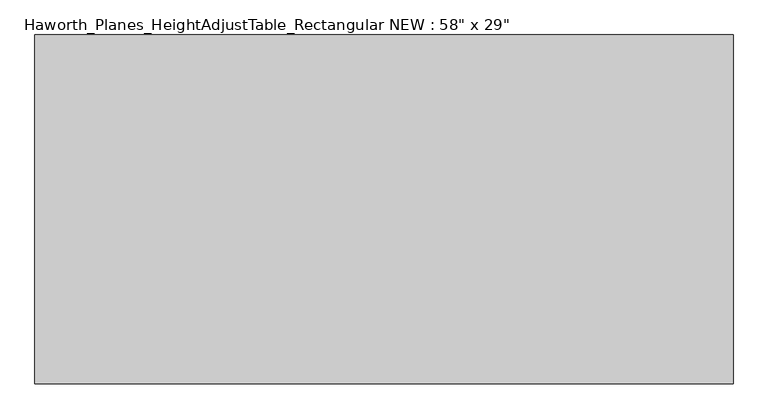
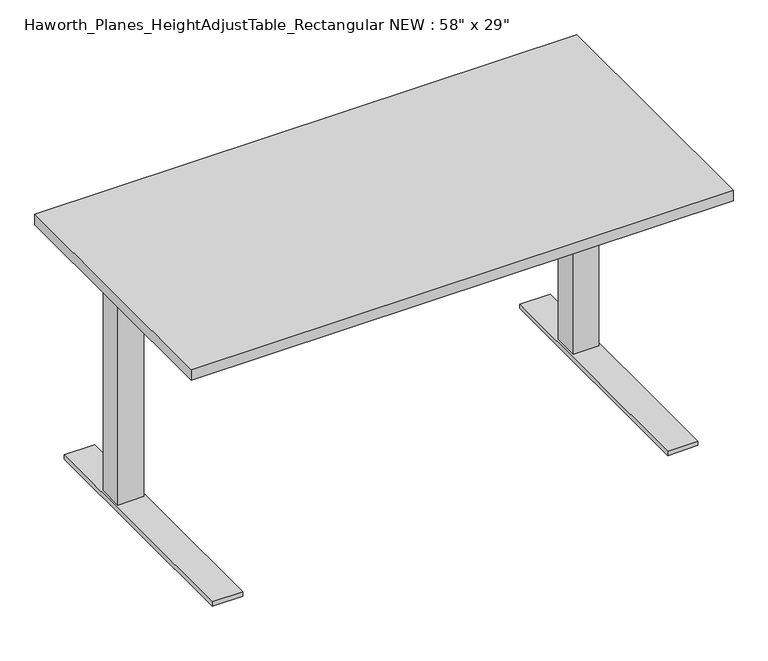
"""IFC4 building model written with IfcOpenShell, lengths in millimetres: furniture geometry."""

from ifc_helpers import new_model, si_unit, point, frame, frame_2d, origin, origin_with_axes, place, context, project, spatial, polyline, circle_curve, trimmed, segment, composite_curve, outline, extrude, faceted_brep, source, transform, mapped, element, save


def furniture_c5e95a2a(model_context):
    return source(origin(), model_context, "Body", "SolidModel", [
        extrude(outline(polyline([(588.9625, 185.7375), (649.2875, 185.7375), (649.2875, 125.4125), (588.9625, 125.4125), (588.9625, 185.7375)])), frame((0.0, 0.0, 598.4875), z_axis=(0.0, 0.0, 1.0), x_axis=(1.0, 0.0, 0.0)), (0.0, 0.0, 1.0), 107.95),
        faceted_brep([(577.85, 361.95, 9.525), (577.85, -334.9625, 9.525), (577.85, -334.9625, 22.225), (577.85, 361.95, 22.225), (660.4, 361.95, 9.525), (660.4, 361.95, 22.225), (660.4, -334.9625, 22.225), (660.4, -334.9625, 9.525), (584.2, 190.5, 598.4875), (584.2, 120.65, 598.4875), (654.05, 120.65, 598.4875), (654.05, 190.5, 598.4875), (654.05, 190.5, 22.225), (584.2, 190.5, 22.225), (654.05, 120.65, 22.225), (584.2, 120.65, 22.225)], [[[0, 1, 2, 3]], [[4, 5, 6, 7]], [[0, 4, 7, 1]], [[8, 9, 10, 11]], [[11, 12, 13, 8]], [[10, 14, 12, 11]], [[9, 15, 14, 10]], [[8, 13, 15, 9]], [[3, 5, 4, 0]], [[2, 6, 5, 3], [12, 14, 15, 13]], [[1, 7, 6, 2]]]),
        extrude(outline(polyline([(317.5, 706.4375), (317.5, 697.1238172), (175.5257579, 639.7625), (60.8782415, 639.7625), (-241.3, 698.5), (-241.3, 706.4375), (317.5, 706.4375)])), frame((654.05, 0.0, 0.0), z_axis=(1.0, 0.0, 0.0), x_axis=(0.0, 1.0, 0.0)), (0.0, 0.0, 1.0), 3.175),
        extrude(outline(composite_curve([segment(trimmed(circle_curve(frame_2d((619.125, 293.6875)), 28.5342152), [point((647.6592152, 293.6875))], [point((590.5907848, 293.6875))], False, "CARTESIAN"), True, "CONTINUOUS"), segment(trimmed(circle_curve(frame_2d((619.125, 293.6875)), 28.5342152), [point((590.5907848, 293.6875))], [point((647.6592152, 293.6875))], False, "CARTESIAN"), True, "CONTINUOUS")], self_intersect=False)), origin_with_axes(), (0.0, 0.0, 1.0), 9.525),
        extrude(outline(composite_curve([segment(trimmed(circle_curve(frame_2d((619.125, -228.6)), 28.6553383), [point((647.7803383, -228.6))], [point((590.4696617, -228.6))], False, "CARTESIAN"), True, "CONTINUOUS"), segment(trimmed(circle_curve(frame_2d((619.125, -228.6)), 28.6553383), [point((590.4696617, -228.6))], [point((647.7803383, -228.6))], False, "CARTESIAN"), True, "CONTINUOUS")], self_intersect=False)), origin_with_axes(), (0.0, 0.0, 1.0), 9.525),
        extrude(outline(polyline([(-588.9625, 185.7375), (-588.9625, 125.4125), (-649.2875, 125.4125), (-649.2875, 185.7375), (-588.9625, 185.7375)])), frame((0.0, 0.0, 598.4875), z_axis=(0.0, 0.0, 1.0), x_axis=(1.0, 0.0, 0.0)), (0.0, 0.0, 1.0), 107.95),
        faceted_brep([(-577.85, 361.95, 9.525), (-577.85, 361.95, 22.225), (-577.85, -334.9625, 22.225), (-577.85, -334.9625, 9.525), (-660.4, 361.95, 9.525), (-660.4, -334.9625, 9.525), (-660.4, -334.9625, 22.225), (-660.4, 361.95, 22.225), (-584.2, 190.5, 598.4875), (-654.05, 190.5, 598.4875), (-654.05, 120.65, 598.4875), (-584.2, 120.65, 598.4875), (-584.2, 190.5, 22.225), (-654.05, 190.5, 22.225), (-654.05, 120.65, 22.225), (-584.2, 120.65, 22.225)], [[[0, 1, 2, 3]], [[4, 5, 6, 7]], [[0, 3, 5, 4]], [[8, 9, 10, 11]], [[9, 8, 12, 13]], [[10, 9, 13, 14]], [[11, 10, 14, 15]], [[8, 11, 15, 12]], [[1, 0, 4, 7]], [[2, 1, 7, 6], [13, 12, 15, 14]], [[3, 2, 6, 5]]]),
        extrude(outline(polyline([(317.5, 706.4375), (317.5, 697.1238172), (175.5257579, 639.7625), (60.8782415, 639.7625), (-241.3, 698.5), (-241.3, 706.4375), (317.5, 706.4375)])), frame((-657.225, 0.0, 0.0), z_axis=(1.0, 0.0, 0.0), x_axis=(0.0, 1.0, 0.0)), (0.0, 0.0, 1.0), 3.175),
        extrude(outline(composite_curve([segment(trimmed(circle_curve(frame_2d((-619.125, 293.6875)), 28.5342152), [point((-647.6592152, 293.6875))], [point((-590.5907848, 293.6875))], False, "CARTESIAN"), True, "CONTINUOUS"), segment(trimmed(circle_curve(frame_2d((-619.125, 293.6875)), 28.5342152), [point((-590.5907848, 293.6875))], [point((-647.6592152, 293.6875))], False, "CARTESIAN"), True, "CONTINUOUS")], self_intersect=False)), origin_with_axes(), (0.0, 0.0, 1.0), 9.525),
        extrude(outline(composite_curve([segment(trimmed(circle_curve(frame_2d((-619.125, -228.6)), 28.6553383), [point((-647.7803383, -228.6))], [point((-590.4696617, -228.6))], False, "CARTESIAN"), True, "CONTINUOUS"), segment(trimmed(circle_curve(frame_2d((-619.125, -228.6)), 28.6553383), [point((-590.4696617, -228.6))], [point((-647.7803383, -228.6))], False, "CARTESIAN"), True, "CONTINUOUS")], self_intersect=False)), origin_with_axes(), (0.0, 0.0, 1.0), 9.525),
        extrude(outline(polyline([(736.6, 368.3), (736.6, -368.3), (-736.6, -368.3), (-736.6, 368.3), (736.6, 368.3)])), frame((0.0, 0.0, 706.4375), z_axis=(0.0, 0.0, 1.0), x_axis=(1.0, 0.0, 0.0)), (0.0, 0.0, 1.0), 30.1625),
        extrude(outline(polyline([(212.725, 692.15), (212.725, 652.4625), (98.425, 652.4625), (98.425, 692.15), (76.2, 692.15), (76.2, 706.4375), (234.95, 706.4375), (234.95, 692.15), (212.725, 692.15)])), frame((-654.05, 0.0, 0.0), z_axis=(1.0, 0.0, 0.0), x_axis=(0.0, 1.0, 0.0)), (0.0, 0.0, 1.0), 1308.1),
    ])


if __name__ == "__main__":
    model = new_model("IFC4")
    model_context = context("Model", 3, world=origin())
    ifc_project = project(units=[si_unit("LENGTHUNIT", "METRE", prefix="MILLI")], contexts=[model_context])
    site = spatial("IfcSite", under=ifc_project)
    building = spatial("IfcBuilding", under=site)
    placement = place(None, origin())
    furniture_shape = furniture_c5e95a2a(model_context)
    element("IfcFurniture", 1, ObjectType="Haworth_Planes_HeightAdjustTable_Rectangular NEW : 58\" x 29\"", at=placement, inside=building, context=model_context, shape_type="MappedRepresentation", body=[
        mapped(furniture_shape, transform((0.0, 0.0, 0.0), x_axis=(1.0, 0.0, 0.0), y_axis=(0.0, 1.0, 0.0), z_axis=(0.0, 0.0, 1.0))),
    ])
    save(model, "model.ifc")
